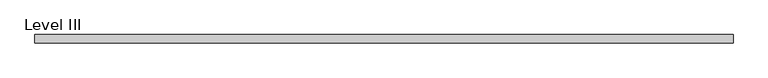
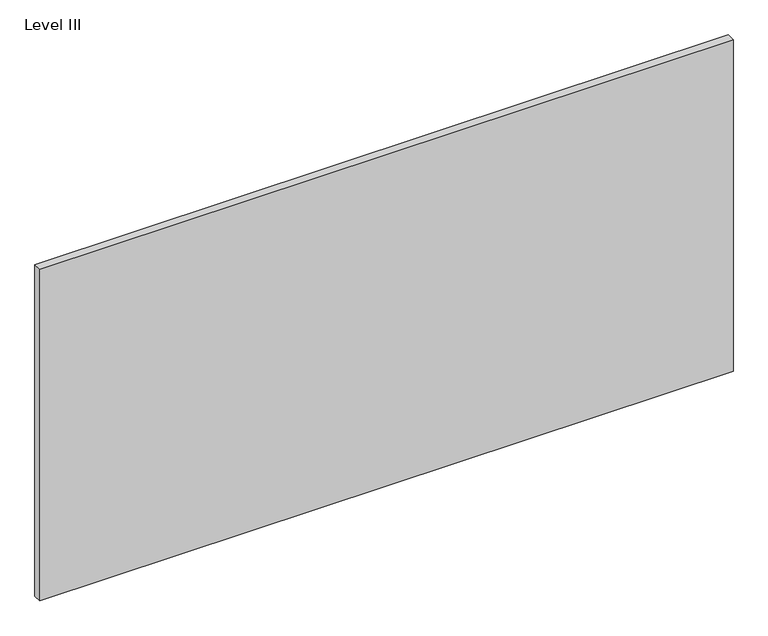
"""IFC4 building model written with IfcOpenShell, lengths in millimetres: proxy geometry, Level III."""

from ifc_helpers import new_model, si_unit, frame, origin, place, context, project, spatial, polyline, outline, extrude, source, transform, mapped, element, save


def level_iii_d1689ffa(model_context):
    return source(origin(), model_context, "Body", "SweptSolid", [
        extrude(outline(polyline([(795.6407125, -9.525), (-795.6407125, -9.525), (-795.6407125, 9.525), (795.6407125, 9.525), (795.6407125, -9.525)])), frame((0.0, 0.0, 3.175), z_axis=(0.0, 0.0, 1.0), x_axis=(1.0, 0.0, 0.0)), (0.0, 0.0, 1.0), 804.418),
    ])


if __name__ == "__main__":
    model = new_model("IFC4")
    model_context = context("Model", 3, world=origin())
    ifc_project = project(units=[si_unit("LENGTHUNIT", "METRE", prefix="MILLI")], contexts=[model_context])
    site = spatial("IfcSite", under=ifc_project)
    building = spatial("IfcBuilding", under=site)
    placement = place(None, origin())
    level_iii_shape = level_iii_d1689ffa(model_context)
    element("IfcBuildingElementProxy", 1, Name="Level III", ObjectType="Level III", at=placement, inside=building, context=model_context, shape_type="MappedRepresentation", body=[
        mapped(level_iii_shape, transform((0.0, 0.0, 0.0), x_axis=(1.0, 0.0, 0.0), y_axis=(0.0, 1.0, 0.0), z_axis=(0.0, 0.0, 1.0))),
    ])
    save(model, "model.ifc")
